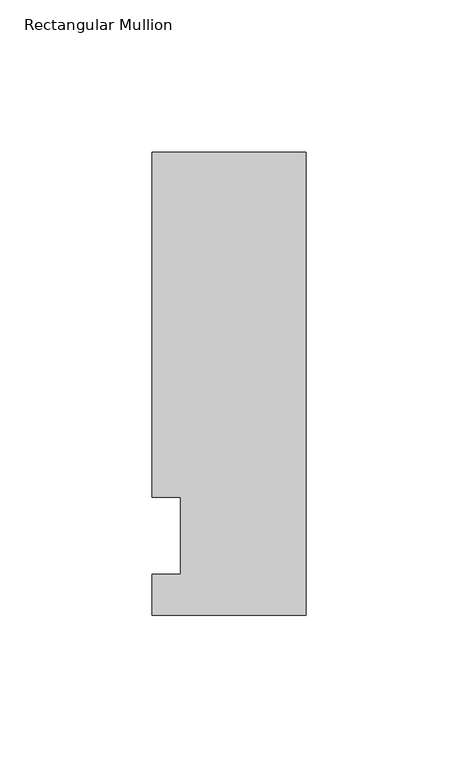
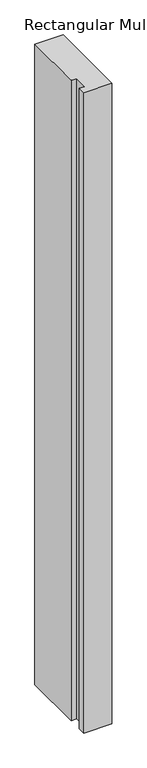
"""IFC4 building model written with IfcOpenShell, lengths in millimetres: member geometry, Rectangular Mullion."""

from ifc_helpers import new_model, si_unit, frame, origin, place, context, project, spatial, polyline, outline, extrude, source, transform, mapped, element, save


def rectangular_mullion_ebd1bf1a(model_context):
    return source(origin(), model_context, "Body", "SweptSolid", [
        extrude(outline(polyline([(0.0, -26.19375), (-50.8, -26.19375), (-50.8, -12.7), (-41.275, -12.7), (-41.275, 12.7), (-50.8, 12.7), (-50.8, 126.20625), (0.0, 126.20625), (0.0, -26.19375)])), frame((0.0, 0.0, -1219.2), z_axis=(0.0, 0.0, 1.0), x_axis=(1.0, 0.0, 0.0)), (0.0, 0.0, 1.0), 1219.2),
    ])


if __name__ == "__main__":
    model = new_model("IFC4")
    model_context = context("Model", 3, world=origin())
    ifc_project = project(units=[si_unit("LENGTHUNIT", "METRE", prefix="MILLI")], contexts=[model_context])
    site = spatial("IfcSite", under=ifc_project)
    building = spatial("IfcBuilding", under=site)
    placement = place(None, origin())
    rectangular_mullion_shape = rectangular_mullion_ebd1bf1a(model_context)
    element("IfcMember", 1, ObjectType="Rectangular Mullion", at=placement, inside=building, context=model_context, shape_type="MappedRepresentation", body=[
        mapped(rectangular_mullion_shape, transform((0.0, 0.0, 0.0), x_axis=(1.0, 0.0, 0.0), y_axis=(0.0, 1.0, 0.0), z_axis=(0.0, 0.0, 1.0))),
    ])
    save(model, "model.ifc")
